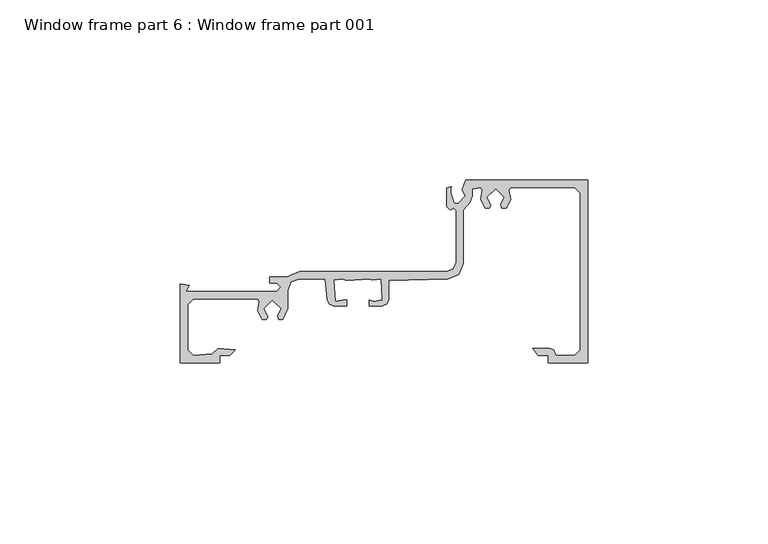
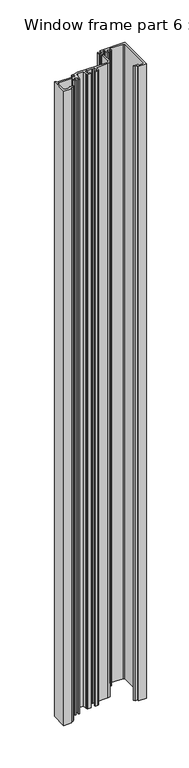
"""IFC4 building model written with IfcOpenShell, lengths in millimetres: proxy geometry, Window frame part 6 : Window frame part 001."""

from ifc_helpers import new_model, si_unit, frame, origin, place, context, project, spatial, polyline, outline, extrude, source, transform, mapped, element, save


def window_frame_part_6_window_frame_part_001_b8f6b225(model_context):
    return source(origin(), model_context, "Body", "SweptSolid", [
        extrude(outline(polyline([(37543.3983343, -20682.7696301), (37545.9498252, -20683.1506301), (37544.9966199, -20684.8016301), (37570.1646547, -20684.8016301), (37571.3584547, -20683.6078301), (37570.1646547, -20682.4140301), (37568.1834547, -20682.4140301), (37568.1834547, -20680.8392301), (37572.9179044, -20680.8392301), (37576.5400547, -20679.2644301), (37617.4011073, -20679.2644301), (37619.1971585, -20678.5204813), (37619.9411073, -20676.7244301), (37619.9411073, -20662.3480296), (37619.3062343, -20661.7003301), (37618.3664343, -20662.2591301), (37617.4011073, -20661.2938031), (37617.4011073, -20656.1631301), (37618.6457073, -20655.6551301), (37618.4171073, -20656.4679301), (37618.4171073, -20657.4331301), (37619.4839073, -20660.4303301), (37620.5494373, -20660.4303301), (37622.4290373, -20658.2891101), (37621.6924373, -20656.4679301), (37622.6076069, -20653.8644301), (37656.4790073, -20653.8644301), (37656.4790073, -20704.6644301), (37645.5264547, -20704.6644301), (37645.5264547, -20702.6324301), (37642.7832547, -20702.6324301), (37641.2084547, -20700.6004301), (37645.9836547, -20700.6004301), (37647.0972064, -20701.0616783), (37647.5584547, -20702.6324301), (37652.9230073, -20702.6324301), (37654.4470073, -20701.1084301), (37654.4470073, -20657.4204301), (37652.9230073, -20655.8964301), (37635.0609457, -20655.8964301), (37634.6126172, -20656.6688372), (37635.0497715, -20659.3172041), (37633.7903941, -20661.6876301), (37632.6736709, -20661.6876301), (37632.3139439, -20660.6049459), (37633.3269071, -20658.6396303), (37630.9139072, -20656.2266304), (37628.5009073, -20658.6396303), (37629.5864685, -20660.9388213), (37629.1541435, -20661.6876301), (37628.0374203, -20661.6876301), (37626.7780428, -20659.3172041), (37627.2151971, -20656.6688372), (37626.7668686, -20655.8964301), (37624.4610373, -20656.4044301), (37624.4610373, -20658.2891101), (37623.6784773, -20660.1751159), (37621.973105, -20662.143379), (37621.973105, -20676.9784674), (37620.7083921, -20680.0317172), (37617.6551051, -20681.2964301), (37601.2721073, -20681.8044301), (37601.2721073, -20687.0114301), (37600.7513432, -20688.2686659), (37599.4941073, -20688.7894301), (37595.9127073, -20688.7894301), (37595.9127073, -20687.1257301), (37597.0811073, -20687.5194301), (37599.4941073, -20687.1384301), (37599.1131073, -20681.2964301), (37596.7000542, -20681.6836759), (37595.9127073, -20681.2964301), (37589.5627073, -20681.6901301), (37588.3943073, -20681.2964301), (37585.9813073, -20681.6774301), (37586.3623073, -20687.5194301), (37588.7753601, -20687.1321842), (37589.5627073, -20687.1257301), (37589.5627073, -20688.7894301), (37585.9813073, -20688.7894301), (37584.7240714, -20688.2686659), (37584.2033073, -20687.0114301), (37583.6953073, -20681.2964301), (37576.3622547, -20681.2964301), (37574.1171906, -20682.226366), (37573.1872547, -20684.4714301), (37573.1872547, -20689.5768302), (37571.8727417, -20692.6248301), (37570.7560185, -20692.6248301), (37570.3962915, -20691.5421459), (37571.4092547, -20689.5768303), (37568.9962548, -20687.1638304), (37566.5832549, -20689.5768303), (37567.6688161, -20691.8760213), (37567.2364911, -20692.6248301), (37566.1197679, -20692.6248301), (37564.8583215, -20690.2416528), (37565.3097642, -20687.5832735), (37564.862917, -20686.8336301), (37546.9543343, -20686.8336301), (37545.4303343, -20688.3576301), (37545.4303343, -20701.1084301), (37546.9543343, -20702.6324301), (37552.3084547, -20702.1752301), (37553.8832547, -20700.6004301), (37558.6584547, -20701.0576301), (37557.0836547, -20702.6324301), (37554.3404547, -20702.6324301), (37554.3404547, -20704.6644301), (37543.3983343, -20704.6644301), (37543.3983343, -20682.7696301)])), frame((0.0, 0.0, 910.5119968), z_axis=(0.0, 0.0, 1.0), x_axis=(1.0, 0.0, 0.0)), (0.0, 0.0, 1.0), 914.4),
    ])


if __name__ == "__main__":
    model = new_model("IFC4")
    model_context = context("Model", 3, world=origin())
    ifc_project = project(units=[si_unit("LENGTHUNIT", "METRE", prefix="MILLI")], contexts=[model_context])
    site = spatial("IfcSite", under=ifc_project)
    building = spatial("IfcBuilding", under=site)
    placement = place(None, origin())
    window_frame_part_6_window_frame_part_001_shape = window_frame_part_6_window_frame_part_001_b8f6b225(model_context)
    element("IfcBuildingElementProxy", 1, Name="Window frame part 6 : Window frame part 001", ObjectType="Window frame part 6 : Window frame part 001", at=placement, inside=building, context=model_context, shape_type="MappedRepresentation", body=[
        mapped(window_frame_part_6_window_frame_part_001_shape, transform((0.0, 0.0, 0.0), x_axis=(1.0, 0.0, 0.0), y_axis=(0.0, 1.0, 0.0), z_axis=(0.0, 0.0, 1.0))),
    ])
    save(model, "model.ifc")
